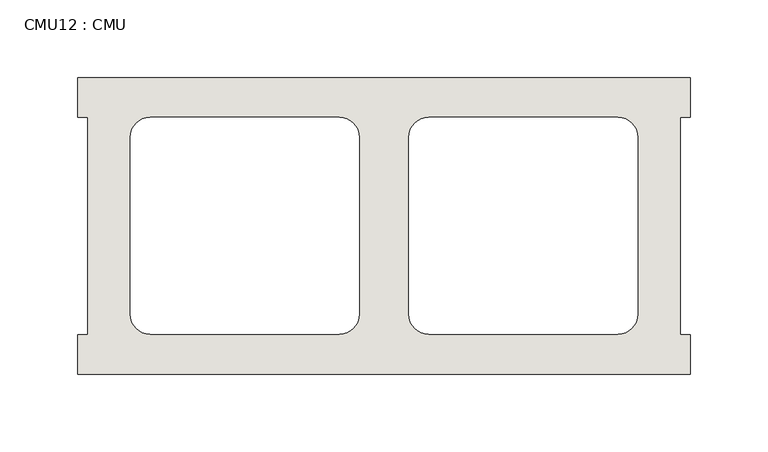
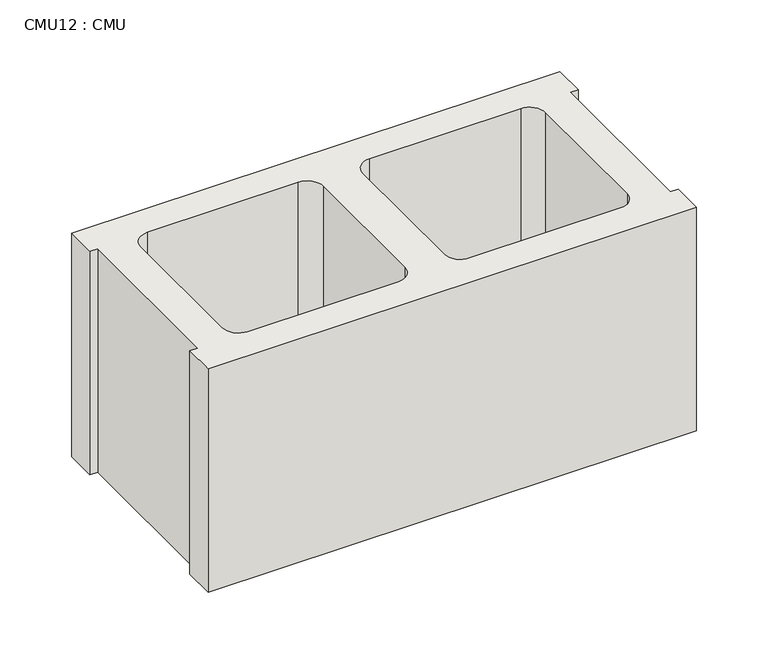
"""IFC4 building model written with IfcOpenShell, lengths in millimetres: wall geometry, CMU12 : CMU."""

from ifc_helpers import new_model, si_unit, point, frame, frame_2d, origin, place, context, project, spatial, polyline, circle_curve, trimmed, segment, composite_curve, outline, extrude, source, transform, mapped, element, save


def cmu12_cmu_fa7af25c(model_context):
    return source(origin(), model_context, "Body", "SweptSolid", [
        extrude(outline(polyline([(-1426.0785982, 3347.4652891), (-1032.3785982, 3347.4652891), (-1032.3785982, 3322.0652891), (-1038.7285982, 3322.0652891), (-1038.7285982, 3182.3652891), (-1032.3785982, 3182.3652891), (-1032.3785982, 3156.9652891), (-1426.0785982, 3156.9652891), (-1426.0785982, 3182.3652891), (-1419.7285982, 3182.3652891), (-1419.7285982, 3322.0652891), (-1426.0785982, 3322.0652891), (-1426.0785982, 3347.4652891)]), holes=[composite_curve([segment(polyline([(-1257.9105995, 3322.0652891), (-1379.6272496, 3322.0652891)]), True, "CONTINUOUS"), segment(trimmed(circle_curve(frame_2d((-1379.6272496, 3309.3652891)), 12.7), [point((-1379.6272496, 3322.0652891))], [point((-1392.3272496, 3309.3652891))], True, "CARTESIAN"), True, "CONTINUOUS"), segment(polyline([(-1392.3272496, 3309.3652891), (-1392.3272496, 3195.2994494)]), True, "CONTINUOUS"), segment(trimmed(circle_curve(frame_2d((-1379.6272496, 3195.2994494)), 12.7), [point((-1392.3272496, 3195.2994494))], [point((-1379.6272496, 3182.5994494))], True, "CARTESIAN"), True, "CONTINUOUS"), segment(polyline([(-1379.6272496, 3182.5994494), (-1257.9105995, 3182.5994494)]), True, "CONTINUOUS"), segment(trimmed(circle_curve(frame_2d((-1257.9105995, 3195.2994494)), 12.7), [point((-1257.9105995, 3182.5994494))], [point((-1245.2105995, 3195.2994494))], True, "CARTESIAN"), True, "CONTINUOUS"), segment(polyline([(-1245.2105995, 3195.2994494), (-1245.2105995, 3309.3652891)]), True, "CONTINUOUS"), segment(trimmed(circle_curve(frame_2d((-1257.9105995, 3309.3652891)), 12.7), [point((-1245.2105995, 3309.3652891))], [point((-1257.9105995, 3322.0652891))], True, "CARTESIAN"), True, "CONTINUOUS")], self_intersect=False), composite_curve([segment(trimmed(circle_curve(frame_2d((-1200.5465969, 3309.3652891)), 12.7), [point((-1200.5465969, 3322.0652891))], [point((-1213.2465969, 3309.3652891))], True, "CARTESIAN"), True, "CONTINUOUS"), segment(polyline([(-1213.2465969, 3309.3652891), (-1213.2465969, 3195.2994494)]), True, "CONTINUOUS"), segment(trimmed(circle_curve(frame_2d((-1200.5465969, 3195.2994494)), 12.7), [point((-1213.2465969, 3195.2994494))], [point((-1200.5465969, 3182.5994494))], True, "CARTESIAN"), True, "CONTINUOUS"), segment(polyline([(-1200.5465969, 3182.5994494), (-1078.8299468, 3182.5994494)]), True, "CONTINUOUS"), segment(trimmed(circle_curve(frame_2d((-1078.8299468, 3195.2994494)), 12.7), [point((-1078.8299468, 3182.5994494))], [point((-1066.1299468, 3195.2994494))], True, "CARTESIAN"), True, "CONTINUOUS"), segment(polyline([(-1066.1299468, 3195.2994494), (-1066.1299468, 3309.3652891)]), True, "CONTINUOUS"), segment(trimmed(circle_curve(frame_2d((-1078.8299468, 3309.3652891)), 12.7), [point((-1066.1299468, 3309.3652891))], [point((-1078.8299468, 3322.0652891))], True, "CARTESIAN"), True, "CONTINUOUS"), segment(polyline([(-1078.8299468, 3322.0652891), (-1200.5465969, 3322.0652891)]), True, "CONTINUOUS")], self_intersect=False)]), frame((0.0, 0.0, 203.2), z_axis=(0.0, 0.0, 1.0), x_axis=(1.0, 0.0, 0.0)), (0.0, 0.0, 1.0), 190.5),
    ])


if __name__ == "__main__":
    model = new_model("IFC4")
    model_context = context("Model", 3, world=origin())
    ifc_project = project(units=[si_unit("LENGTHUNIT", "METRE", prefix="MILLI")], contexts=[model_context])
    site = spatial("IfcSite", under=ifc_project)
    building = spatial("IfcBuilding", under=site)
    placement = place(None, origin())
    cmu12_cmu_shape = cmu12_cmu_fa7af25c(model_context)
    element("IfcWall", 1, ObjectType="CMU12 : CMU", at=placement, inside=building, context=model_context, shape_type="MappedRepresentation", body=[
        mapped(cmu12_cmu_shape, transform((0.0, 0.0, 0.0), x_axis=(1.0, 0.0, 0.0), y_axis=(0.0, 1.0, 0.0), z_axis=(0.0, 0.0, 1.0))),
    ])
    save(model, "model.ifc")
